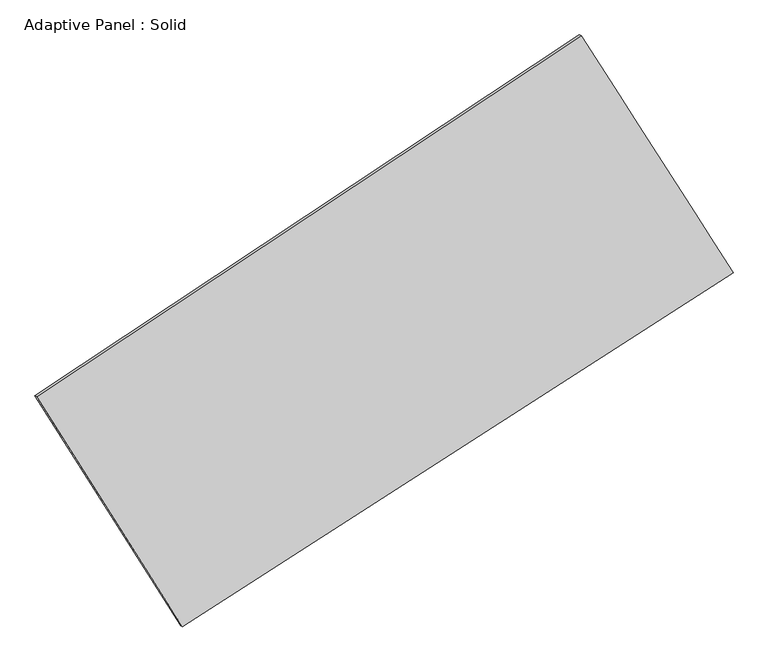
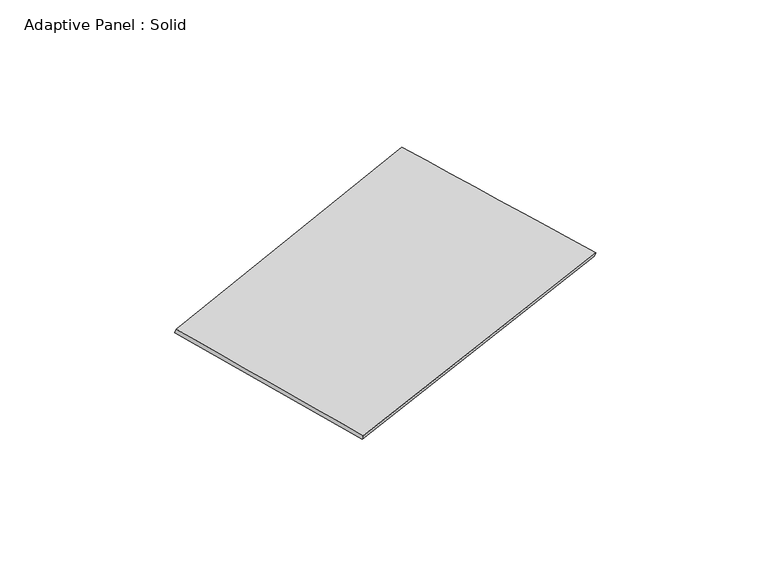
"""IFC4 building model written with IfcOpenShell, lengths in millimetres: plate geometry, Adaptive Panel : Solid."""

from ifc_helpers import new_model, si_unit, frame, origin, place, context, project, spatial, source, transform, mapped, element, save
from ifc_brep_helpers import plane_surface, spline_surface, advanced_brep


def adaptive_panel_solid_78ae8804(model_context):
    return source(origin(), model_context, "Body", "AdvancedBrep", [
        advanced_brep(
        [(1100.8975238, 2533.3667436, 669.7153743), (-3722.1190045, -664.7640921, 1760.3810719), (-3707.4526486, -671.1441856, 1807.7539799), (1115.5638796, 2526.9866501, 717.0882823), (-2429.6224184, -2702.0762155, 1057.257937), (-2414.9560626, -2708.4563089, 1104.630845), (2447.553321, 433.2249911, -2.231863), (2462.2196768, 426.8448976, 45.141045)],
        [
            (0, 1),
            (1, 2),
            (2, 3),
            (3, 0),
            (1, 4),
            (4, 5),
            (5, 2),
            (4, 6),
            (6, 7),
            (7, 5),
            (6, 0),
            (3, 7),
        ],
        [
            plane_surface(frame((-1310.6107403, 934.3013258, 1215.0482231), z_axis=(-0.490916222808663, 0.8303049698336351, 0.2638084897285182), x_axis=(-0.8190019967249784, -0.5430782840759336, 0.1852071994433212))),
            plane_surface(frame((-3075.8707114, -1683.4201538, 1408.8195044), z_axis=(-0.8038364605834839, -0.569386870208755, 0.17217879274317036), x_axis=(0.5143078099558357, -0.8106834073482199, -0.2797854350546367))),
            plane_surface(frame((8.9654513, -1134.4256122, 527.513037), z_axis=(0.4810643344692555, -0.8367374793777409, -0.2616247249520529), x_axis=(0.8274786101737949, 0.5319461146185239, -0.1797567268479851))),
            plane_surface(frame((1774.2254224, 1483.2958674, 333.7417557), z_axis=(0.8033567992434945, 0.5701388114359817, -0.1719290225750559), x_axis=(-0.5212088332151367, 0.8128375749139026, 0.2600700463079162))),
            spline_surface(1, 1, [[(-3707.4526486, -671.1441856, 1807.7539799), (1115.5638796, 2526.9866501, 717.0882823)], [(-2414.9560626, -2708.4563089, 1104.630845), (2462.2196768, 426.8448976, 45.141045)]], [2, 2], [2, 2], [0.0, 1.0], [0.0, 1.0]),
            spline_surface(1, 1, [[(2447.553321, 433.2249911, -2.231863), (1100.8975238, 2533.3667436, 669.7153743)], [(-2429.6224184, -2702.0762155, 1057.257937), (-3722.1190045, -664.7640921, 1760.3810719)]], [2, 2], [2, 2], [0.0, 1.0], [0.0, 1.0]),
        ],
        [
            (0, [[1, 2, 3, 4]]),
            (1, [[5, 6, 7, -2]]),
            (2, [[8, 9, 10, -6]]),
            (3, [[11, -4, 12, -9]]),
            (4, [[-3, -7, -10, -12]]),
            (5, [[-11, -8, -5, -1]]),
        ],
    ),
    ])


if __name__ == "__main__":
    model = new_model("IFC4")
    model_context = context("Model", 3, world=origin())
    ifc_project = project(units=[si_unit("LENGTHUNIT", "METRE", prefix="MILLI")], contexts=[model_context])
    site = spatial("IfcSite", under=ifc_project)
    building = spatial("IfcBuilding", under=site)
    placement = place(None, origin())
    adaptive_panel_solid_shape = adaptive_panel_solid_78ae8804(model_context)
    element("IfcPlate", 1, ObjectType="Adaptive Panel : Solid", at=placement, inside=building, context=model_context, shape_type="MappedRepresentation", body=[
        mapped(adaptive_panel_solid_shape, transform((0.0, 0.0, 0.0), x_axis=(1.0, 0.0, 0.0), y_axis=(0.0, 1.0, 0.0), z_axis=(0.0, 0.0, 1.0))),
    ])
    save(model, "model.ifc")
